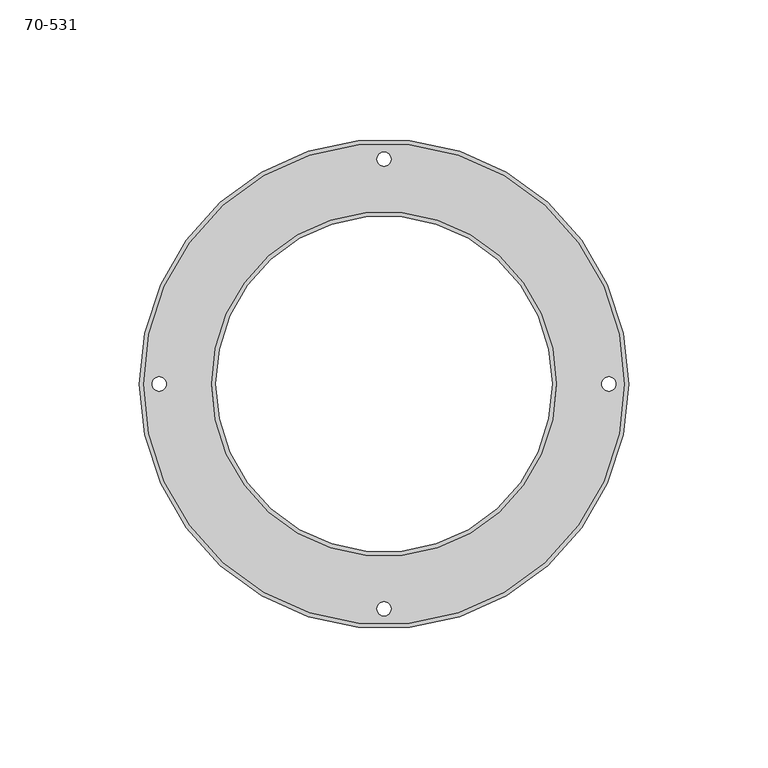
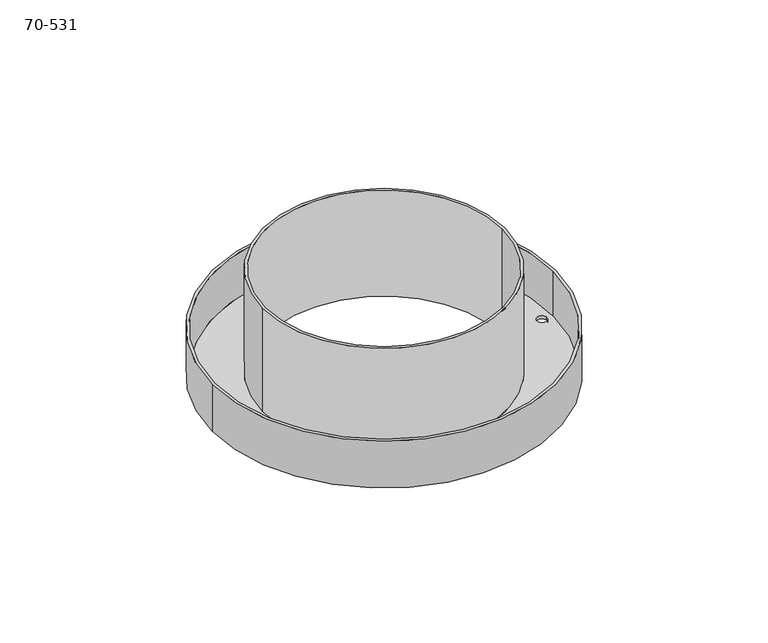
"""IFC4 building model written with IfcOpenShell, lengths in millimetres: proxy geometry, 70-531."""

from ifc_helpers import new_model, si_unit, frame, origin, place, context, project, spatial, polyline, circle_curve, source, transform, mapped, element, save
from ifc_brep_helpers import plane_surface, cylinder_surface, revolved_surface, advanced_brep


def proxy_70_531_78475995(model_context):
    return source(origin(), model_context, "Body", "AdvancedBrep", [
        advanced_brep(
        [(-93.2323308, 10.2286397, 0.0), (-93.2323308, 10.2286397, 25.4), (82.2816692, 10.2286397, 25.4), (82.2816692, 10.2286397, 0.0), (-65.8003308, 10.2286397, 0.0), (-65.8003308, 10.2286397, 57.15), (54.8496692, 10.2286397, 57.15), (54.8496692, 10.2286397, 0.0), (-91.7083308, 10.2286397, 25.4), (-91.7083308, 10.2286397, 1.524), (80.7576692, 10.2286397, 1.524), (80.7576692, 10.2286397, 25.4), (-67.3243308, 10.2286397, 57.15), (-67.3243308, 10.2286397, 1.524), (56.3736692, 10.2286397, 1.524), (56.3736692, 10.2286397, 57.15), (-83.5803308, 10.2286397, 1.524), (-83.5803308, 10.2286397, 0.0), (-88.6603308, 10.2286397, 0.0), (-88.6603308, 10.2286397, 1.524), (77.7096692, 10.2286397, 1.524), (77.7096692, 10.2286397, 0.0), (72.6296692, 10.2286397, 0.0), (72.6296692, 10.2286397, 1.524), (-2.9353308, 90.8736397, 1.524), (-2.9353308, 90.8736397, 0.0), (-8.0153308, 90.8736397, 0.0), (-8.0153308, 90.8736397, 1.524), (-2.9353308, -70.4163603, 1.524), (-2.9353308, -70.4163603, 0.0), (-8.0153308, -70.4163603, 0.0), (-8.0153308, -70.4163603, 1.524)],
        [
            (0, 1),
            (1, 2, circle_curve(frame((-5.4753308, 10.2286397, 25.4), z_axis=(0.0, 0.0, -1.0), x_axis=(-1.0, 0.0, 0.0)), 87.757)),
            (2, 3),
            (3, 0, circle_curve(frame((-5.4753308, 10.2286397, 0.0), z_axis=(0.0, 0.0, 1.0), x_axis=(-1.0, 0.0, 0.0)), 87.757)),
            (4, 5),
            (5, 6, circle_curve(frame((-5.4753308, 10.2286397, 57.15), z_axis=(0.0, 0.0, 1.0), x_axis=(-1.0, 0.0, 0.0)), 60.325)),
            (6, 7),
            (7, 4, circle_curve(frame((-5.4753308, 10.2286397, 0.0), z_axis=(0.0, 0.0, -1.0), x_axis=(-1.0, 0.0, 0.0)), 60.325)),
            (8, 9),
            (9, 10, circle_curve(frame((-5.4753308, 10.2286397, 1.524), z_axis=(0.0, 0.0, -1.0), x_axis=(-1.0, 0.0, 0.0)), 86.233)),
            (10, 11),
            (11, 8, circle_curve(frame((-5.4753308, 10.2286397, 25.4), z_axis=(0.0, 0.0, 1.0), x_axis=(-1.0, 0.0, 0.0)), 86.233)),
            (12, 13),
            (13, 14, circle_curve(frame((-5.4753308, 10.2286397, 1.524), z_axis=(0.0, 0.0, 1.0), x_axis=(-1.0, 0.0, 0.0)), 61.849)),
            (14, 15),
            (15, 12, circle_curve(frame((-5.4753308, 10.2286397, 57.15), z_axis=(0.0, 0.0, -1.0), x_axis=(-1.0, 0.0, 0.0)), 61.849)),
            (16, 17),
            (17, 18, circle_curve(frame((-86.1203308, 10.2286397, 0.0), z_axis=(0.0, 0.0, -1.0), x_axis=(1.0, 0.0, 0.0)), 2.54)),
            (18, 19),
            (19, 16, circle_curve(frame((-86.1203308, 10.2286397, 1.524), z_axis=(0.0, 0.0, 1.0), x_axis=(1.0, 0.0, 0.0)), 2.54)),
            (20, 21),
            (21, 22, circle_curve(frame((75.1696692, 10.2286397, 0.0), z_axis=(0.0, 0.0, -1.0), x_axis=(1.0, 0.0, 0.0)), 2.54)),
            (22, 23),
            (23, 20, circle_curve(frame((75.1696692, 10.2286397, 1.524), z_axis=(0.0, 0.0, 1.0), x_axis=(1.0, 0.0, 0.0)), 2.54)),
            (24, 25),
            (25, 26, circle_curve(frame((-5.4753308, 90.8736397, 0.0), z_axis=(0.0, 0.0, -1.0), x_axis=(1.0, 0.0, 0.0)), 2.54)),
            (26, 27),
            (27, 24, circle_curve(frame((-5.4753308, 90.8736397, 1.524), z_axis=(0.0, 0.0, 1.0), x_axis=(1.0, 0.0, 0.0)), 2.54)),
            (28, 29),
            (29, 30, circle_curve(frame((-5.4753308, -70.4163603, 0.0), z_axis=(0.0, 0.0, -1.0), x_axis=(1.0, 0.0, 0.0)), 2.54)),
            (30, 31),
            (31, 28, circle_curve(frame((-5.4753308, -70.4163603, 1.524), z_axis=(0.0, 0.0, 1.0), x_axis=(1.0, 0.0, 0.0)), 2.54)),
            (28, 31, circle_curve(frame((-5.4753308, -70.4163603, 1.524), z_axis=(0.0, 0.0, 1.0), x_axis=(1.0, 0.0, 0.0)), 2.54)),
            (30, 29, circle_curve(frame((-5.4753308, -70.4163603, 0.0), z_axis=(0.0, 0.0, -1.0), x_axis=(1.0, 0.0, 0.0)), 2.54)),
            (24, 27, circle_curve(frame((-5.4753308, 90.8736397, 1.524), z_axis=(0.0, 0.0, 1.0), x_axis=(1.0, 0.0, 0.0)), 2.54)),
            (26, 25, circle_curve(frame((-5.4753308, 90.8736397, 0.0), z_axis=(0.0, 0.0, -1.0), x_axis=(1.0, 0.0, 0.0)), 2.54)),
            (20, 23, circle_curve(frame((75.1696692, 10.2286397, 1.524), z_axis=(0.0, 0.0, 1.0), x_axis=(1.0, 0.0, 0.0)), 2.54)),
            (22, 21, circle_curve(frame((75.1696692, 10.2286397, 0.0), z_axis=(0.0, 0.0, -1.0), x_axis=(1.0, 0.0, 0.0)), 2.54)),
            (16, 19, circle_curve(frame((-86.1203308, 10.2286397, 1.524), z_axis=(0.0, 0.0, 1.0), x_axis=(1.0, 0.0, 0.0)), 2.54)),
            (18, 17, circle_curve(frame((-86.1203308, 10.2286397, 0.0), z_axis=(0.0, 0.0, -1.0), x_axis=(1.0, 0.0, 0.0)), 2.54)),
            (1, 2, circle_curve(frame((-5.4753308, 10.2286397, 25.4), z_axis=(0.0, 0.0, 1.0), x_axis=(-1.0, 0.0, 0.0)), 87.757)),
            (11, 8, circle_curve(frame((-5.4753308, 10.2286397, 25.4), z_axis=(0.0, 0.0, -1.0), x_axis=(-1.0, 0.0, 0.0)), 86.233)),
            (9, 10, circle_curve(frame((-5.4753308, 10.2286397, 1.524), z_axis=(0.0, 0.0, 1.0), x_axis=(-1.0, 0.0, 0.0)), 86.233)),
            (13, 14, circle_curve(frame((-5.4753308, 10.2286397, 1.524), z_axis=(0.0, 0.0, -1.0), x_axis=(-1.0, 0.0, 0.0)), 61.849)),
            (12, 15, circle_curve(frame((-5.4753308, 10.2286397, 57.15), z_axis=(0.0, 0.0, -1.0), x_axis=(-1.0, 0.0, 0.0)), 61.849)),
            (4, 7, circle_curve(frame((-5.4753308, 10.2286397, 0.0), z_axis=(0.0, 0.0, -1.0), x_axis=(-1.0, 0.0, 0.0)), 60.325)),
            (6, 5, circle_curve(frame((-5.4753308, 10.2286397, 57.15), z_axis=(0.0, 0.0, 1.0), x_axis=(-1.0, 0.0, 0.0)), 60.325)),
            (0, 3, circle_curve(frame((-5.4753308, 10.2286397, 0.0), z_axis=(0.0, 0.0, 1.0), x_axis=(-1.0, 0.0, 0.0)), 87.757)),
        ],
        [
            cylinder_surface(frame((-5.4753308, 10.2286397, 0.0), z_axis=(0.0, 0.0, 1.0), x_axis=(-1.0, 0.0, 0.0)), 87.757),
            revolved_surface(polyline([(-65.8003308, 10.2286397, 0.0), (-65.8003308, 10.2286397, 57.15)]), (-5.4753308, 10.2286397, 57.15), (0.0, 0.0, -1.0)),
            revolved_surface(polyline([(-91.7083308, 10.2286397, 25.4), (-91.7083308, 10.2286397, 1.524)]), (-5.4753308, 10.2286397, 0.0), (0.0, 0.0, 1.0)),
            cylinder_surface(frame((-5.4753308, 10.2286397, 57.15), z_axis=(0.0, 0.0, -1.0), x_axis=(-1.0, 0.0, 0.0)), 61.849),
            revolved_surface(polyline([(-83.5803308, 10.2286397, 1.524), (-83.5803308, 10.2286397, 0.0)]), (-86.1203308, 10.2286397, 0.0), (0.0, 0.0, 1.0)),
            revolved_surface(polyline([(77.70966920000001, 10.2286397, 1.524), (77.70966920000001, 10.2286397, 0.0)]), (75.1696692, 10.2286397, 0.0), (0.0, 0.0, 1.0)),
            revolved_surface(polyline([(-2.9353308, 90.8736397, 1.524), (-2.9353308, 90.8736397, 0.0)]), (-5.4753308, 90.8736397, 0.0), (0.0, 0.0, 1.0)),
            revolved_surface(polyline([(-2.9353308, -70.4163603, 1.524), (-2.9353308, -70.4163603, 0.0)]), (-5.4753308, -70.4163603, 0.0), (0.0, 0.0, 1.0)),
            plane_surface(frame((-5.4753308, 10.2286397, 25.4), z_axis=(0.0, 0.0, 1.0), x_axis=(-1.0, 0.0, 0.0))),
            plane_surface(frame((-5.4753308, 10.2286397, 1.524), z_axis=(0.0, 0.0, 1.0), x_axis=(-1.0, 0.0, 0.0))),
            plane_surface(frame((-5.4753308, 10.2286397, 57.15), z_axis=(0.0, 0.0, 1.0), x_axis=(-1.0, 0.0, 0.0))),
            plane_surface(frame((-5.4753308, 10.2286397, 0.0), z_axis=(0.0, 0.0, -1.0), x_axis=(-1.0, 0.0, 0.0))),
        ],
        [
            (0, [[1, 2, 3, 4]]),
            (1, [[5, 6, 7, 8]]),
            (2, [[9, 10, 11, 12]]),
            (3, [[13, 14, 15, 16]]),
            (4, [[17, 18, 19, 20]]),
            (5, [[21, 22, 23, 24]]),
            (6, [[25, 26, 27, 28]]),
            (7, [[29, 30, 31, 32]]),
            (7, [[-29, 33, -31, 34]]),
            (6, [[-25, 35, -27, 36]]),
            (5, [[-21, 37, -23, 38]]),
            (4, [[-17, 39, -19, 40]]),
            (8, [[41, -2], [-12, 42]]),
            (9, [[43, -10], [-33, -32], [-35, -28], [-37, -24], [-39, -20], [44, -14]]),
            (3, [[-13, 45, -15, -44]]),
            (2, [[-9, -42, -11, -43]]),
            (1, [[-5, 46, -7, 47]]),
            (0, [[-1, 48, -3, -41]]),
            (10, [[-45, -16], [-6, -47]]),
            (11, [[-48, -4], [-18, -40], [-22, -38], [-26, -36], [-30, -34], [-46, -8]]),
        ],
    ),
    ])


if __name__ == "__main__":
    model = new_model("IFC4")
    model_context = context("Model", 3, world=origin())
    ifc_project = project(units=[si_unit("LENGTHUNIT", "METRE", prefix="MILLI")], contexts=[model_context])
    site = spatial("IfcSite", under=ifc_project)
    building = spatial("IfcBuilding", under=site)
    placement = place(None, origin())
    proxy_70_531_shape = proxy_70_531_78475995(model_context)
    element("IfcBuildingElementProxy", 1, Name="70-531", ObjectType="70-531", at=placement, inside=building, context=model_context, shape_type="MappedRepresentation", body=[
        mapped(proxy_70_531_shape, transform((0.0, 0.0, 0.0), x_axis=(1.0, 0.0, 0.0), y_axis=(0.0, 1.0, 0.0), z_axis=(0.0, 0.0, 1.0))),
    ])
    save(model, "model.ifc")
